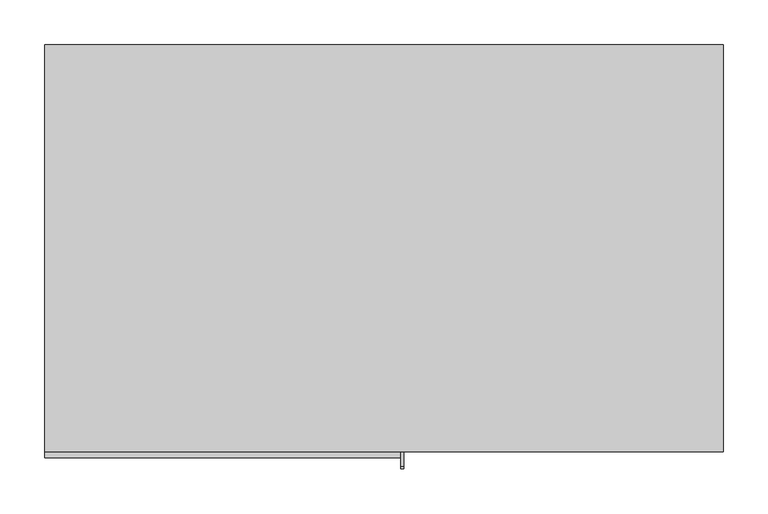
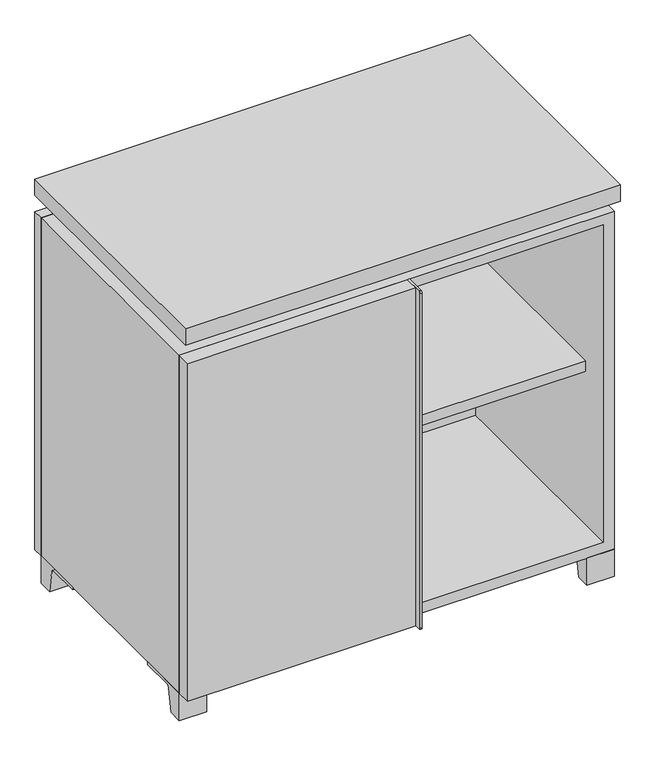
"""IFC4 building model written with IfcOpenShell, lengths in millimetres: furniture geometry."""

from ifc_helpers import new_model, si_unit, point, frame, frame_2d, origin, place, context, project, spatial, polyline, circle_curve, trimmed, segment, composite_curve, outline, extrude, faceted_brep, source, transform, mapped, element, save


def furniture_6a8a4482(model_context):
    return source(origin(), model_context, "Body", "SolidModel", [
        extrude(outline(polyline([(9.5319453, 241.3), (361.9569453, 241.3), (361.9569453, -92.075), (9.5319453, -92.075), (9.5319453, 241.3)])), frame((0.0, 0.0, 354.0125), z_axis=(0.0, 0.0, 1.0), x_axis=(1.0, 0.0, 0.0)), (0.0, 0.0, 1.0), 19.05),
        extrude(outline(polyline([(-9.5041641, 241.3), (-9.5041641, -92.075), (-361.9291641, -92.075), (-361.9291641, 241.3), (-9.5041641, 241.3)])), frame((0.0, 0.0, 354.0125), z_axis=(0.0, 0.0, 1.0), x_axis=(1.0, 0.0, 0.0)), (0.0, 0.0, 1.0), 19.05),
        extrude(outline(polyline([(381.0138906, 292.1), (381.0138906, -165.1), (-380.9861094, -165.1), (-380.9861094, 292.1), (381.0138906, 292.1)])), frame((0.0, 0.0, 706.4375), z_axis=(0.0, 0.0, 1.0), x_axis=(1.0, 0.0, 0.0)), (0.0, 0.0, 1.0), 30.1625),
        extrude(outline(composite_curve([segment(polyline([(-146.05, 676.275), (-146.05, 50.8), (-180.975, 50.8)]), True, "CONTINUOUS"), segment(trimmed(circle_curve(frame_2d((-180.975, 53.975)), 3.175), [point((-180.975, 50.8))], [point((-184.15, 53.975))], False, "CARTESIAN"), True, "CONTINUOUS"), segment(polyline([(-184.15, 53.975), (-184.15, 673.1)]), True, "CONTINUOUS"), segment(trimmed(circle_curve(frame_2d((-180.975, 673.1)), 3.175), [point((-184.15, 673.1))], [point((-180.975, 676.275))], False, "CARTESIAN"), True, "CONTINUOUS"), segment(polyline([(-180.975, 676.275), (-146.05, 676.275)]), True, "CONTINUOUS")], self_intersect=False)), frame((19.0638906, 0.0, 0.0), z_axis=(1.0, 0.0, 0.0), x_axis=(0.0, 1.0, 0.0)), (0.0, 0.0, 1.0), 3.175),
        extrude(outline(polyline([(-380.9861094, -146.05), (19.0638906, -146.05), (19.0638906, -171.45), (-380.9861094, -171.45), (-380.9861094, -146.05)])), frame((0.0, 0.0, 50.8), z_axis=(0.0, 0.0, 1.0), x_axis=(1.0, 0.0, 0.0)), (0.0, 0.0, 1.0), 625.475),
        extrude(outline(composite_curve([segment(polyline([(-120.6500136, 0.0), (-146.05, 0.0), (-146.05, 50.8), (-50.8, 50.8), (-50.8, 46.0213321), (-107.6005345, 46.0213321)]), True, "CONTINUOUS"), segment(trimmed(circle_curve(frame_2d((-107.6005345, 39.6713321)), 6.35), [point((-107.6005345, 46.0213321))], [point((-113.8641359, 40.7152656))], True, "CARTESIAN"), True, "CONTINUOUS"), segment(polyline([(-113.8641359, 40.7152656), (-120.6500136, 0.0)]), True, "CONTINUOUS")], self_intersect=False)), frame((333.3888906, 0.0, 0.0), z_axis=(1.0, 0.0, 0.0), x_axis=(0.0, 1.0, 0.0)), (0.0, 0.0, 1.0), 47.625),
        extrude(outline(composite_curve([segment(polyline([(247.6500136, 0.0), (240.8641359, 40.7152656)]), True, "CONTINUOUS"), segment(trimmed(circle_curve(frame_2d((234.6005345, 39.6713321)), 6.35), [point((240.8641359, 40.7152656))], [point((234.6005345, 46.0213321))], True, "CARTESIAN"), True, "CONTINUOUS"), segment(polyline([(234.6005345, 46.0213321), (177.8, 46.0213321), (177.8, 50.8), (273.05, 50.8), (273.05, 0.0), (247.6500136, 0.0)]), True, "CONTINUOUS")], self_intersect=False)), frame((333.3888906, 0.0, 0.0), z_axis=(1.0, 0.0, 0.0), x_axis=(0.0, 1.0, 0.0)), (0.0, 0.0, 1.0), 47.625),
        extrude(outline(composite_curve([segment(polyline([(-120.6500136, 0.0), (-146.05, 0.0), (-146.05, 50.8), (-50.8, 50.8), (-50.8, 46.0213321), (-107.6005345, 46.0213321)]), True, "CONTINUOUS"), segment(trimmed(circle_curve(frame_2d((-107.6005345, 39.6713321)), 6.35), [point((-107.6005345, 46.0213321))], [point((-113.8641359, 40.7152656))], True, "CARTESIAN"), True, "CONTINUOUS"), segment(polyline([(-113.8641359, 40.7152656), (-120.6500136, 0.0)]), True, "CONTINUOUS")], self_intersect=False)), frame((-380.9861094, 0.0, 0.0), z_axis=(1.0, 0.0, 0.0), x_axis=(0.0, 1.0, 0.0)), (0.0, 0.0, 1.0), 47.625),
        extrude(outline(composite_curve([segment(polyline([(247.6500136, 0.0), (240.8641359, 40.7152656)]), True, "CONTINUOUS"), segment(trimmed(circle_curve(frame_2d((234.6005345, 39.6713321)), 6.35), [point((240.8641359, 40.7152656))], [point((234.6005345, 46.0213321))], True, "CARTESIAN"), True, "CONTINUOUS"), segment(polyline([(234.6005345, 46.0213321), (177.8, 46.0213321), (177.8, 50.8), (273.05, 50.8), (273.05, 0.0), (247.6500136, 0.0)]), True, "CONTINUOUS")], self_intersect=False)), frame((-380.9861094, 0.0, 0.0), z_axis=(1.0, 0.0, 0.0), x_axis=(0.0, 1.0, 0.0)), (0.0, 0.0, 1.0), 47.625),
        faceted_brep([(7.9513906, -120.65, 706.4375), (7.9513906, -120.65, 676.275), (7.9513906, 53.975, 676.275), (7.9513906, 53.975, 706.4375), (7.9513906, 247.65, 676.275), (7.9513906, 247.65, 706.4375), (7.9513906, 73.025, 706.4375), (7.9513906, 73.025, 676.275), (-7.9236094, 247.65, 706.4375), (-7.9236094, 247.65, 676.275), (-7.9236094, 73.025, 676.275), (-7.9236094, 73.025, 706.4375), (-7.9236094, -120.65, 676.275), (-7.9236094, -120.65, 706.4375), (-7.9236094, 53.975, 706.4375), (-7.9236094, 53.975, 676.275), (-339.6833281, 73.025, 706.4375), (-339.7041641, 247.65, 706.4375), (-355.5791641, 247.65, 706.4375), (-355.5791641, -120.65, 706.4375), (-339.7041641, -120.65, 706.4375), (-339.7041641, 53.975, 706.4375), (339.7111094, 53.975, 706.4375), (339.7111094, -120.65, 706.4375), (355.5861094, -120.65, 706.4375), (355.5861094, 247.65, 706.4375), (339.7111094, 247.65, 706.4375), (339.7111094, 73.025, 706.4375), (-339.6833281, 53.975, 676.275), (-339.7041641, -120.65, 676.275), (-355.5791641, -120.65, 676.275), (-355.5791641, 247.65, 676.275), (-339.7041641, 247.65, 676.275), (-339.7041641, 73.025, 676.275), (339.7111094, 73.025, 676.275), (339.7111094, 247.65, 676.275), (355.5861094, 247.65, 676.275), (355.5861094, -120.65, 676.275), (339.7111094, -120.65, 676.275), (339.7111094, 53.975, 676.275)], [[[0, 1, 2, 3]], [[4, 5, 6, 7]], [[8, 9, 10, 11]], [[12, 13, 14, 15]], [[5, 8, 11, 16, 17, 18, 19, 20, 21, 14, 13, 0, 3, 22, 23, 24, 25, 26, 27, 6]], [[1, 12, 15, 28, 29, 30, 31, 32, 33, 10, 9, 4, 7, 34, 35, 36, 37, 38, 39, 2]], [[5, 4, 9, 8]], [[1, 0, 13, 12]], [[6, 27, 34, 7]], [[22, 3, 2, 39]], [[20, 29, 28, 21]], [[32, 17, 16, 33]], [[18, 31, 30, 19]], [[29, 20, 19, 30]], [[17, 32, 31, 18]], [[26, 35, 34, 27]], [[38, 23, 22, 39]], [[25, 24, 37, 36]], [[23, 38, 37, 24]], [[35, 26, 25, 36]], [[16, 11, 10, 33]], [[14, 21, 28, 15]]]),
        extrude(outline(polyline([(9.5388906, 241.3), (9.5388906, -95.25), (-9.5111094, -95.25), (-9.5111094, 241.3), (9.5388906, 241.3)])), frame((0.0, 0.0, 69.85), z_axis=(0.0, 0.0, 1.0), x_axis=(1.0, 0.0, 0.0)), (0.0, 0.0, 1.0), 587.375),
        extrude(outline(polyline([(15.8888906, -88.9), (15.8888906, -146.05), (-9.5111094, -146.05), (-9.5111094, -120.65), (3.1888906, -120.65), (3.1888906, -88.9), (15.8888906, -88.9)])), frame((0.0, 0.0, 69.85), z_axis=(0.0, 0.0, 1.0), x_axis=(1.0, 0.0, 0.0)), (0.0, 0.0, 1.0), 587.375),
        extrude(outline(polyline([(381.0138906, 273.05), (-380.9861094, 273.05), (-380.9861094, 292.1), (381.0138906, 292.1), (381.0138906, 273.05)])), frame((0.0, 0.0, 50.8), z_axis=(0.0, 0.0, 1.0), x_axis=(1.0, 0.0, 0.0)), (0.0, 0.0, 1.0), 625.475),
        extrude(outline(polyline([(50.8, -380.9861094), (50.8, 381.0), (676.275, 381.0), (676.275, -380.9861094), (50.8, -380.9861094)]), holes=[polyline([(69.85, -361.9361094), (657.225, -361.9361094), (657.225, 361.9361094), (69.85, 361.9361094), (69.85, -361.9361094)])]), frame((0.0, -146.05, 0.0), z_axis=(0.0, 1.0, 0.0), x_axis=(0.0, 0.0, 1.0)), (0.0, 0.0, 1.0), 419.1),
        extrude(outline(polyline([(-361.9291641, 241.3), (-361.9291641, 247.65), (361.9569453, 247.65), (361.9569453, 241.3), (-361.9291641, 241.3)])), frame((0.0, 0.0, 69.85), z_axis=(0.0, 0.0, 1.0), x_axis=(1.0, 0.0, 0.0)), (0.0, 0.0, 1.0), 587.375),
    ])


if __name__ == "__main__":
    model = new_model("IFC4")
    model_context = context("Model", 3, world=origin())
    ifc_project = project(units=[si_unit("LENGTHUNIT", "METRE", prefix="MILLI")], contexts=[model_context])
    site = spatial("IfcSite", under=ifc_project)
    building = spatial("IfcBuilding", under=site)
    placement = place(None, origin())
    furniture_shape = furniture_6a8a4482(model_context)
    element("IfcFurniture", 1, at=placement, inside=building, context=model_context, shape_type="MappedRepresentation", body=[
        mapped(furniture_shape, transform((0.0, 0.0, 0.0), x_axis=(1.0, 0.0, 0.0), y_axis=(0.0, 1.0, 0.0), z_axis=(0.0, 0.0, 1.0))),
    ])
    save(model, "model.ifc")
